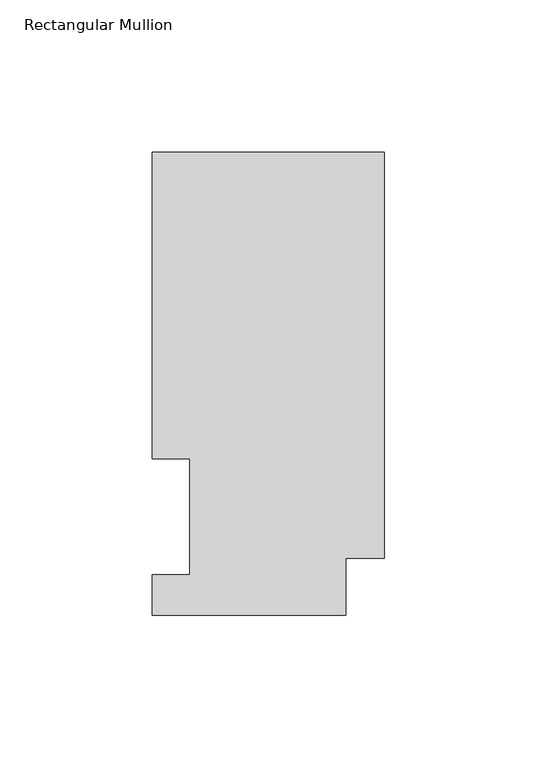
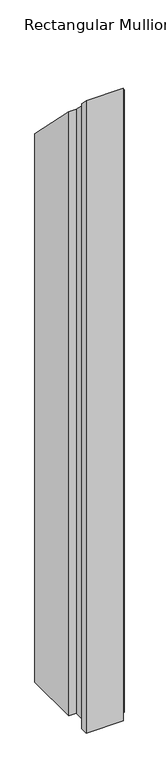
"""IFC4 building model written with IfcOpenShell, lengths in millimetres: member geometry, Rectangular Mullion."""

from ifc_helpers import new_model, si_unit, origin, place, context, project, spatial, faceted_brep, source, transform, mapped, element, save


def rectangular_mullion_765f6cd2(model_context):
    return source(origin(), model_context, "Body", "Brep", [
        faceted_brep([(-76.2, 151.9816937, -1143.0134937), (0.0, 151.9816937, -1143.0134937), (0.0, 18.7332937, -1143.0134937), (-12.7, 18.7332937, -1143.0134937), (-12.7, 0.0134937, -1143.0134937), (-76.2, 0.0134937, -1143.0134937), (-76.2, 13.1960938, -1143.0134937), (-63.8581605, 13.1960937, -1143.0134937), (-63.8581605, 51.2960938, -1143.0134937), (-76.2, 51.2960938, -1143.0134937), (-76.2, 51.2960938, -51.2960937), (-76.2, 151.9816937, -151.9816937), (-63.8581605, 51.2960938, -51.2960937), (-63.8581605, 13.1960937, -13.1960937), (-76.2, 13.1960938, -13.1960938), (-76.2, 0.0134937, -0.0134937), (-12.7, 0.0134937, -0.0134937), (-12.7, 18.7332937, -18.7332937), (0.0, 18.7332937, -18.7332937), (0.0, 151.9816937, -151.9816937)], [[[0, 1, 2, 3, 4, 5, 6, 7, 8, 9]], [[10, 11, 0, 9]], [[12, 10, 9, 8]], [[13, 12, 8, 7]], [[14, 13, 7, 6]], [[15, 14, 6, 5]], [[16, 15, 5, 4]], [[17, 16, 4, 3]], [[18, 17, 3, 2]], [[19, 18, 2, 1]], [[11, 19, 1, 0]], [[11, 10, 12, 13, 14, 15, 16, 17, 18, 19]]]),
    ])


if __name__ == "__main__":
    model = new_model("IFC4")
    model_context = context("Model", 3, world=origin())
    ifc_project = project(units=[si_unit("LENGTHUNIT", "METRE", prefix="MILLI")], contexts=[model_context])
    site = spatial("IfcSite", under=ifc_project)
    building = spatial("IfcBuilding", under=site)
    placement = place(None, origin())
    rectangular_mullion_shape = rectangular_mullion_765f6cd2(model_context)
    element("IfcMember", 1, ObjectType="Rectangular Mullion", at=placement, inside=building, context=model_context, shape_type="MappedRepresentation", body=[
        mapped(rectangular_mullion_shape, transform((0.0, 0.0, 0.0), x_axis=(1.0, 0.0, 0.0), y_axis=(0.0, 1.0, 0.0), z_axis=(0.0, 0.0, 1.0))),
    ])
    save(model, "model.ifc")
